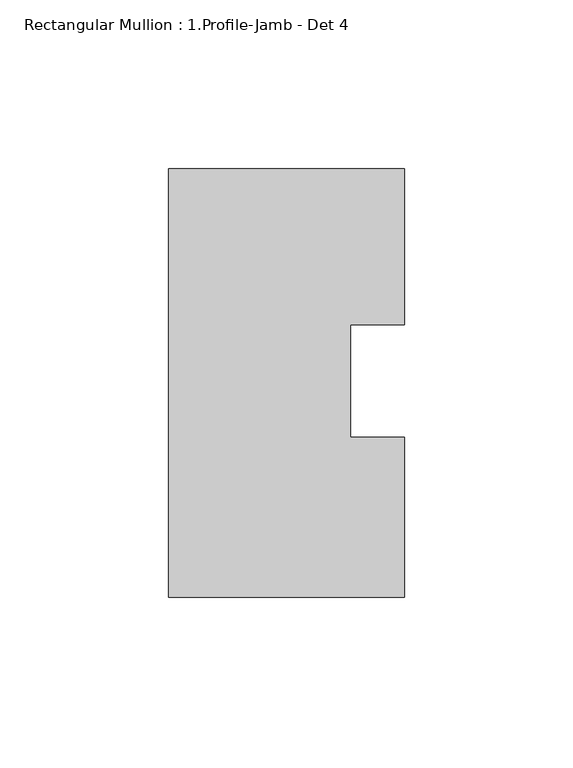
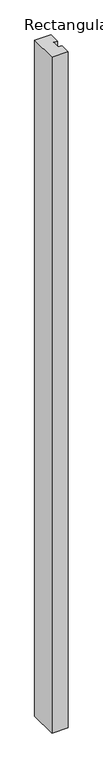
"""IFC4 building model written with IfcOpenShell, lengths in millimetres: member geometry, Rectangular Mullion : 1.Profile-Jamb - Det 4."""

from ifc_helpers import new_model, si_unit, frame, origin, place, context, project, spatial, polyline, outline, extrude, source, transform, mapped, element, save


def rectangular_mullion_1_profile_jamb_det_4_38442f6e(model_context):
    return source(origin(), model_context, "Body", "SweptSolid", [
        extrude(outline(polyline([(0.0, 63.5), (0.0, 17.31709), (-15.875, 17.31709), (-15.875, -16.0459314), (0.0, -16.0459314), (0.0, -63.5), (-69.85, -63.5), (-69.85, 63.5), (0.0, 63.5)])), frame((0.0, 0.0, -3048.0), z_axis=(0.0, 0.0, 1.0), x_axis=(1.0, 0.0, 0.0)), (0.0, 0.0, 1.0), 3048.0),
    ])


if __name__ == "__main__":
    model = new_model("IFC4")
    model_context = context("Model", 3, world=origin())
    ifc_project = project(units=[si_unit("LENGTHUNIT", "METRE", prefix="MILLI")], contexts=[model_context])
    site = spatial("IfcSite", under=ifc_project)
    building = spatial("IfcBuilding", under=site)
    placement = place(None, origin())
    rectangular_mullion_1_profile_jamb_det_4_shape = rectangular_mullion_1_profile_jamb_det_4_38442f6e(model_context)
    element("IfcMember", 1, ObjectType="Rectangular Mullion : 1.Profile-Jamb - Det 4", at=placement, inside=building, context=model_context, shape_type="MappedRepresentation", body=[
        mapped(rectangular_mullion_1_profile_jamb_det_4_shape, transform((0.0, 0.0, 0.0), x_axis=(1.0, 0.0, 0.0), y_axis=(0.0, 1.0, 0.0), z_axis=(0.0, 0.0, 1.0))),
    ])
    save(model, "model.ifc")
